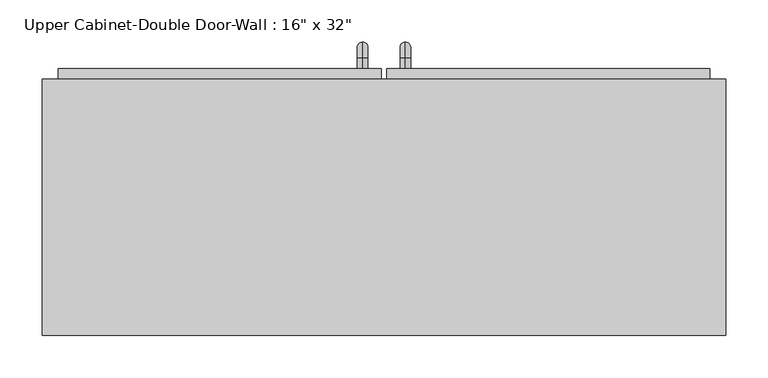
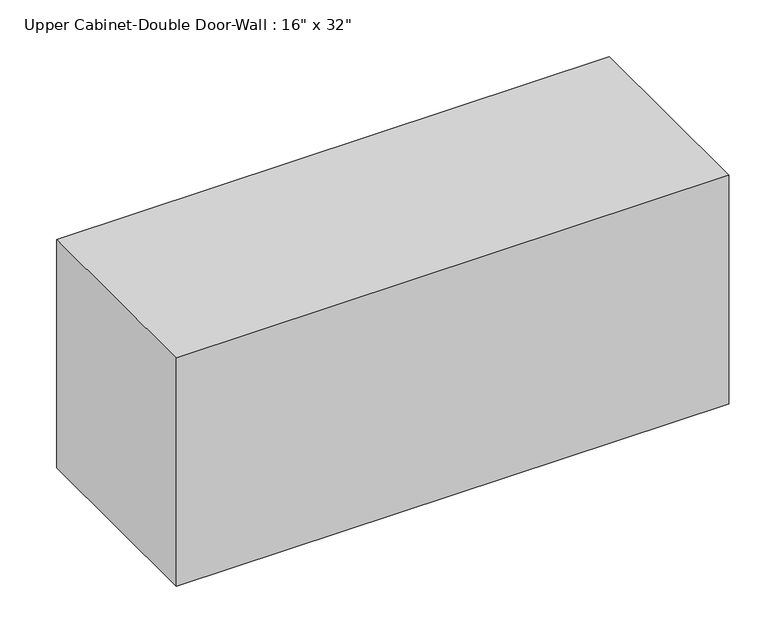
"""IFC4 building model written with IfcOpenShell, lengths in millimetres: furniture geometry."""

from ifc_helpers import new_model, si_unit, point, frame, origin, place, context, project, spatial, polyline, circle_curve, ellipse_curve, trimmed, outline, extrude, faceted_brep, source, transform, mapped, element, save
from ifc_brep_helpers import plane_surface, cylinder_surface, revolved_surface, advanced_brep


def furniture_c5636046(model_context):
    return source(origin(), model_context, "Body", "SolidModel", [
        faceted_brep([(-376.6288372, 72.375, 2133.6), (-376.6288372, 72.375, 1778.0), (436.1711628, 72.375, 1778.0), (436.1711628, 72.375, 2133.6), (-376.6288372, 377.175, 2133.6), (436.1711628, 377.175, 2133.6), (436.1711628, 377.175, 1778.0), (-376.6288372, 377.175, 1778.0), (-357.5788372, 377.175, 2114.55), (-357.5788372, 377.175, 1797.05), (417.1211628, 377.175, 1797.05), (417.1211628, 377.175, 2114.55), (417.1211628, 91.425, 2114.55), (-357.5788372, 91.425, 2114.55), (417.1211628, 91.425, 1797.05), (-357.5788372, 91.425, 1797.05)], [[[0, 1, 2, 3]], [[4, 5, 6, 7], [8, 9, 10, 11]], [[1, 0, 4, 7]], [[2, 1, 7, 6]], [[3, 2, 6, 5]], [[0, 3, 5, 4]], [[8, 11, 12, 13]], [[11, 10, 14, 12]], [[10, 9, 15, 14]], [[9, 8, 13, 15]], [[13, 12, 14, 15]]]),
        advanced_brep(
        [(55.1711628, 389.875, 1924.05), (55.1711628, 389.875, 1936.75), (55.1711628, 402.575, 1924.05), (55.1711628, 402.575, 1936.75), (55.1711628, 421.625, 1917.7), (55.1711628, 408.925, 1917.7), (55.1711628, 408.925, 1841.5), (55.1711628, 421.625, 1841.5), (55.1711628, 402.575, 1822.45), (55.1711628, 402.575, 1835.15), (55.1711628, 389.875, 1835.15), (55.1711628, 389.875, 1822.45)],
        [
            (0, 1, circle_curve(frame((55.1711628, 389.875, 1930.4), z_axis=(0.0, -1.0, 0.0), x_axis=(0.0, 0.0, -1.0)), 6.35)),
            (1, 0, circle_curve(frame((55.1711628, 389.875, 1930.4), z_axis=(0.0, -1.0, 0.0), x_axis=(0.0, 0.0, -1.0)), 6.35)),
            (0, 2),
            (2, 3, circle_curve(frame((55.1711628, 402.575, 1930.4), z_axis=(0.0, -1.0, 0.0), x_axis=(0.0, 0.0, -1.0)), 6.35)),
            (3, 1),
            (3, 2, circle_curve(frame((55.1711628, 402.575, 1930.4), z_axis=(0.0, -1.0, 0.0), x_axis=(0.0, 0.0, -1.0)), 6.35)),
            (4, 3, circle_curve(frame((55.1711628, 402.575, 1917.7), z_axis=(1.0, 0.0, 0.0), x_axis=(0.0, 0.0, 1.0)), 19.05)),
            (2, 5, circle_curve(frame((55.1711628, 402.575, 1917.7), z_axis=(-1.0, 0.0, 0.0), x_axis=(0.0, 0.0, 1.0)), 6.35)),
            (5, 4, circle_curve(frame((55.1711628, 415.275, 1917.7), z_axis=(0.0, 0.0, 1.0), x_axis=(0.0, -1.0, 0.0)), 6.35)),
            (4, 5, circle_curve(frame((55.1711628, 415.275, 1917.7), z_axis=(0.0, 0.0, 1.0), x_axis=(0.0, -1.0, 0.0)), 6.35)),
            (5, 6),
            (6, 7, circle_curve(frame((55.1711628, 415.275, 1841.5), z_axis=(0.0, 0.0, 1.0), x_axis=(0.0, -1.0, 0.0)), 6.35)),
            (7, 4),
            (7, 6, circle_curve(frame((55.1711628, 415.275, 1841.5), z_axis=(0.0, 0.0, 1.0), x_axis=(0.0, -1.0, 0.0)), 6.35)),
            (8, 7, circle_curve(frame((55.1711628, 402.575, 1841.5), z_axis=(1.0, 0.0, 0.0), x_axis=(0.0, 1.0, 0.0)), 19.05)),
            (6, 9, circle_curve(frame((55.1711628, 402.575, 1841.5), z_axis=(-1.0, 0.0, 0.0), x_axis=(0.0, 1.0, 0.0)), 6.35)),
            (9, 8, circle_curve(frame((55.1711628, 402.575, 1828.8), z_axis=(0.0, 1.0, 0.0), x_axis=(0.0, 0.0, 1.0)), 6.35)),
            (8, 9, circle_curve(frame((55.1711628, 402.575, 1828.8), z_axis=(0.0, 1.0, 0.0), x_axis=(0.0, 0.0, 1.0)), 6.35)),
            (10, 11, circle_curve(frame((55.1711628, 389.875, 1828.8), z_axis=(0.0, -1.0, 0.0), x_axis=(0.0, 0.0, 1.0)), 6.35)),
            (11, 10, circle_curve(frame((55.1711628, 389.875, 1828.8), z_axis=(0.0, -1.0, 0.0), x_axis=(0.0, 0.0, 1.0)), 6.35)),
            (9, 10),
            (11, 8),
        ],
        [
            plane_surface(frame((48.8211628, 389.875, 1930.4), z_axis=(0.0, -1.0, 0.0), x_axis=(0.0, 0.0, 1.0))),
            cylinder_surface(frame((55.1711628, 389.875, 1930.4), z_axis=(0.0, -1.0, 0.0), x_axis=(0.0, 0.0, -1.0)), 6.35),
            revolved_surface(trimmed(ellipse_curve(frame((55.1711628, 402.575, 1930.4), z_axis=(0.0, -1.0, 0.0), x_axis=(0.0, 0.0, -1.0)), 6.35, 6.35), [point((55.1711628, 402.575, 1924.05))], [point((55.1711628, 402.575, 1936.75))], True, "CARTESIAN"), (55.1711628, 402.575, 1917.7), (-1.0, 0.0, 0.0)),
            revolved_surface(trimmed(ellipse_curve(frame((55.1711628, 402.575, 1930.4), z_axis=(0.0, -1.0, 0.0), x_axis=(0.0, 0.0, -1.0)), 6.35, 6.35), [point((55.1711628, 402.575, 1936.75))], [point((55.1711628, 402.575, 1924.05))], True, "CARTESIAN"), (55.1711628, 402.575, 1917.7), (-1.0, 0.0, 0.0)),
            cylinder_surface(frame((55.1711628, 415.275, 1917.7), z_axis=(0.0, 0.0, 1.0), x_axis=(0.0, -1.0, 0.0)), 6.35),
            revolved_surface(trimmed(ellipse_curve(frame((55.1711628, 415.275, 1841.5), z_axis=(0.0, 0.0, 1.0), x_axis=(0.0, -1.0, 0.0)), 6.35, 6.35), [point((55.1711628, 408.925, 1841.5))], [point((55.1711628, 421.625, 1841.5))], True, "CARTESIAN"), (55.1711628, 402.575, 1841.5), (-1.0, 0.0, 0.0)),
            revolved_surface(trimmed(ellipse_curve(frame((55.1711628, 415.275, 1841.5), z_axis=(0.0, 0.0, 1.0), x_axis=(0.0, -1.0, 0.0)), 6.35, 6.35), [point((55.1711628, 421.625, 1841.5))], [point((55.1711628, 408.925, 1841.5))], True, "CARTESIAN"), (55.1711628, 402.575, 1841.5), (-1.0, 0.0, 0.0)),
            plane_surface(frame((48.8211628, 389.875, 1828.8), z_axis=(0.0, -1.0, 0.0), x_axis=(0.0, 0.0, -1.0))),
            cylinder_surface(frame((55.1711628, 402.575, 1828.8), z_axis=(0.0, 1.0, 0.0), x_axis=(0.0, 0.0, 1.0)), 6.35),
        ],
        [
            (0, [[1, 2]]),
            (1, [[-1, 3, 4, 5]]),
            (1, [[-2, -5, 6, -3]]),
            (2, [[7, -4, 8, 9]]),
            (3, [[-8, -6, -7, 10]]),
            (4, [[-9, 11, 12, 13]]),
            (4, [[-10, -13, 14, -11]]),
            (5, [[15, -12, 16, 17]]),
            (6, [[-16, -14, -15, 18]]),
            (7, [[19, 20]]),
            (8, [[-17, 21, -20, 22]]),
            (8, [[-18, -22, -19, -21]]),
        ],
    ),
        advanced_brep(
        [(4.3711628, 389.875, 1924.05), (4.3711628, 389.875, 1936.75), (4.3711628, 402.575, 1924.05), (4.3711628, 402.575, 1936.75), (4.3711628, 421.625, 1917.7), (4.3711628, 408.925, 1917.7), (4.3711628, 408.925, 1841.5), (4.3711628, 421.625, 1841.5), (4.3711628, 402.575, 1822.45), (4.3711628, 402.575, 1835.15), (4.3711628, 389.875, 1835.15), (4.3711628, 389.875, 1822.45)],
        [
            (0, 1, circle_curve(frame((4.3711628, 389.875, 1930.4), z_axis=(0.0, -1.0, 0.0), x_axis=(0.0, 0.0, 1.0)), 6.35)),
            (1, 0, circle_curve(frame((4.3711628, 389.875, 1930.4), z_axis=(0.0, -1.0, 0.0), x_axis=(0.0, 0.0, 1.0)), 6.35)),
            (0, 2),
            (2, 3, circle_curve(frame((4.3711628, 402.575, 1930.4), z_axis=(0.0, -1.0, 0.0), x_axis=(0.0, 0.0, 1.0)), 6.35)),
            (3, 1),
            (3, 2, circle_curve(frame((4.3711628, 402.575, 1930.4), z_axis=(0.0, -1.0, 0.0), x_axis=(0.0, 0.0, 1.0)), 6.35)),
            (4, 3, circle_curve(frame((4.3711628, 402.575, 1917.7), z_axis=(1.0, 0.0, 0.0), x_axis=(0.0, 0.0, 1.0)), 19.05)),
            (2, 5, circle_curve(frame((4.3711628, 402.575, 1917.7), z_axis=(-1.0, 0.0, 0.0), x_axis=(0.0, 0.0, 1.0)), 6.35)),
            (5, 4, circle_curve(frame((4.3711628, 415.275, 1917.7), z_axis=(0.0, 0.0, 1.0), x_axis=(0.0, 1.0, 0.0)), 6.35)),
            (4, 5, circle_curve(frame((4.3711628, 415.275, 1917.7), z_axis=(0.0, 0.0, 1.0), x_axis=(0.0, 1.0, 0.0)), 6.35)),
            (5, 6),
            (6, 7, circle_curve(frame((4.3711628, 415.275, 1841.5), z_axis=(0.0, 0.0, 1.0), x_axis=(0.0, 1.0, 0.0)), 6.35)),
            (7, 4),
            (7, 6, circle_curve(frame((4.3711628, 415.275, 1841.5), z_axis=(0.0, 0.0, 1.0), x_axis=(0.0, 1.0, 0.0)), 6.35)),
            (8, 7, circle_curve(frame((4.3711628, 402.575, 1841.5), z_axis=(1.0, 0.0, 0.0), x_axis=(0.0, 1.0, 0.0)), 19.05)),
            (6, 9, circle_curve(frame((4.3711628, 402.575, 1841.5), z_axis=(-1.0, 0.0, 0.0), x_axis=(0.0, 1.0, 0.0)), 6.35)),
            (9, 8, circle_curve(frame((4.3711628, 402.575, 1828.8), z_axis=(0.0, 1.0, 0.0), x_axis=(0.0, 0.0, -1.0)), 6.35)),
            (8, 9, circle_curve(frame((4.3711628, 402.575, 1828.8), z_axis=(0.0, 1.0, 0.0), x_axis=(0.0, 0.0, -1.0)), 6.35)),
            (10, 11, circle_curve(frame((4.3711628, 389.875, 1828.8), z_axis=(0.0, -1.0, 0.0), x_axis=(0.0, 0.0, -1.0)), 6.35)),
            (11, 10, circle_curve(frame((4.3711628, 389.875, 1828.8), z_axis=(0.0, -1.0, 0.0), x_axis=(0.0, 0.0, -1.0)), 6.35)),
            (9, 10),
            (11, 8),
        ],
        [
            plane_surface(frame((-1.9788372, 389.875, 1930.4), z_axis=(0.0, -1.0, 0.0), x_axis=(0.0, 0.0, 1.0))),
            cylinder_surface(frame((4.3711628, 389.875, 1930.4), z_axis=(0.0, -1.0, 0.0), x_axis=(0.0, 0.0, 1.0)), 6.35),
            revolved_surface(trimmed(ellipse_curve(frame((4.3711628, 402.575, 1930.4), z_axis=(0.0, -1.0, 0.0), x_axis=(0.0, 0.0, 1.0)), 6.35, 6.35), [point((4.3711628, 402.575, 1924.05))], [point((4.3711628, 402.575, 1936.75))], True, "CARTESIAN"), (4.3711628, 402.575, 1917.7), (-1.0, 0.0, 0.0)),
            revolved_surface(trimmed(ellipse_curve(frame((4.3711628, 402.575, 1930.4), z_axis=(0.0, -1.0, 0.0), x_axis=(0.0, 0.0, 1.0)), 6.35, 6.35), [point((4.3711628, 402.575, 1936.75))], [point((4.3711628, 402.575, 1924.05))], True, "CARTESIAN"), (4.3711628, 402.575, 1917.7), (-1.0, 0.0, 0.0)),
            cylinder_surface(frame((4.3711628, 415.275, 1917.7), z_axis=(0.0, 0.0, 1.0), x_axis=(0.0, 1.0, 0.0)), 6.35),
            revolved_surface(trimmed(ellipse_curve(frame((4.3711628, 415.275, 1841.5), z_axis=(0.0, 0.0, 1.0), x_axis=(0.0, 1.0, 0.0)), 6.35, 6.35), [point((4.3711628, 408.925, 1841.5))], [point((4.3711628, 421.625, 1841.5))], True, "CARTESIAN"), (4.3711628, 402.575, 1841.5), (-1.0, 0.0, 0.0)),
            revolved_surface(trimmed(ellipse_curve(frame((4.3711628, 415.275, 1841.5), z_axis=(0.0, 0.0, 1.0), x_axis=(0.0, 1.0, 0.0)), 6.35, 6.35), [point((4.3711628, 421.625, 1841.5))], [point((4.3711628, 408.925, 1841.5))], True, "CARTESIAN"), (4.3711628, 402.575, 1841.5), (-1.0, 0.0, 0.0)),
            plane_surface(frame((-1.9788372, 389.875, 1828.8), z_axis=(0.0, -1.0, 0.0), x_axis=(0.0, 0.0, -1.0))),
            cylinder_surface(frame((4.3711628, 402.575, 1828.8), z_axis=(0.0, 1.0, 0.0), x_axis=(0.0, 0.0, -1.0)), 6.35),
        ],
        [
            (0, [[1, 2]]),
            (1, [[-1, 3, 4, 5]]),
            (1, [[-2, -5, 6, -3]]),
            (2, [[7, -4, 8, 9]]),
            (3, [[-8, -6, -7, 10]]),
            (4, [[-9, 11, 12, 13]]),
            (4, [[-10, -13, 14, -11]]),
            (5, [[15, -12, 16, 17]]),
            (6, [[-16, -14, -15, 18]]),
            (7, [[19, 20]]),
            (8, [[-17, 21, -20, 22]]),
            (8, [[-18, -22, -19, -21]]),
        ],
    ),
        extrude(outline(polyline([(32.9461628, 389.875), (417.1211628, 389.875), (417.1211628, 358.125), (32.9461628, 358.125), (32.9461628, 389.875)])), frame((0.0, 0.0, 1797.05), z_axis=(0.0, 0.0, 1.0), x_axis=(1.0, 0.0, 0.0)), (0.0, 0.0, 1.0), 317.5),
        extrude(outline(polyline([(-357.5788372, 389.875), (26.5961628, 389.875), (26.5961628, 358.125), (-357.5788372, 358.125), (-357.5788372, 389.875)])), frame((0.0, 0.0, 1797.05), z_axis=(0.0, 0.0, 1.0), x_axis=(1.0, 0.0, 0.0)), (0.0, 0.0, 1.0), 317.5),
    ])


if __name__ == "__main__":
    model = new_model("IFC4")
    model_context = context("Model", 3, world=origin())
    ifc_project = project(units=[si_unit("LENGTHUNIT", "METRE", prefix="MILLI")], contexts=[model_context])
    site = spatial("IfcSite", under=ifc_project)
    building = spatial("IfcBuilding", under=site)
    placement = place(None, origin())
    furniture_shape = furniture_c5636046(model_context)
    element("IfcFurniture", 1, ObjectType="Upper Cabinet-Double Door-Wall : 16\" x 32\"", at=placement, inside=building, context=model_context, shape_type="MappedRepresentation", body=[
        mapped(furniture_shape, transform((0.0, 0.0, 0.0), x_axis=(1.0, 0.0, 0.0), y_axis=(0.0, 1.0, 0.0), z_axis=(0.0, 0.0, 1.0))),
    ])
    save(model, "model.ifc")
